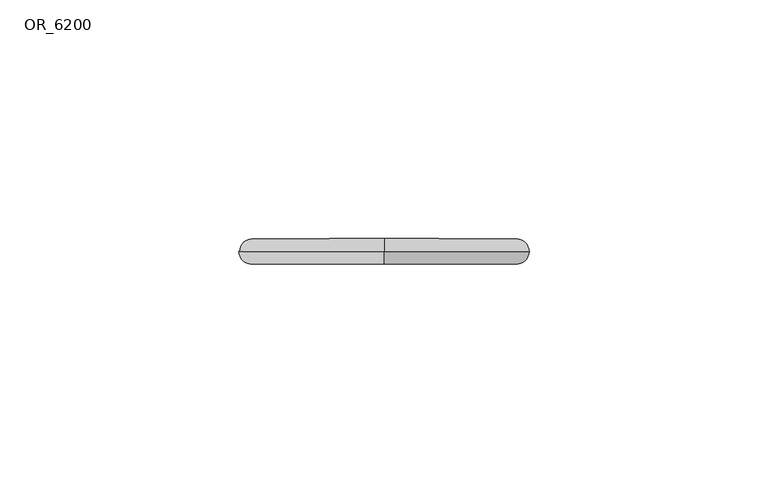
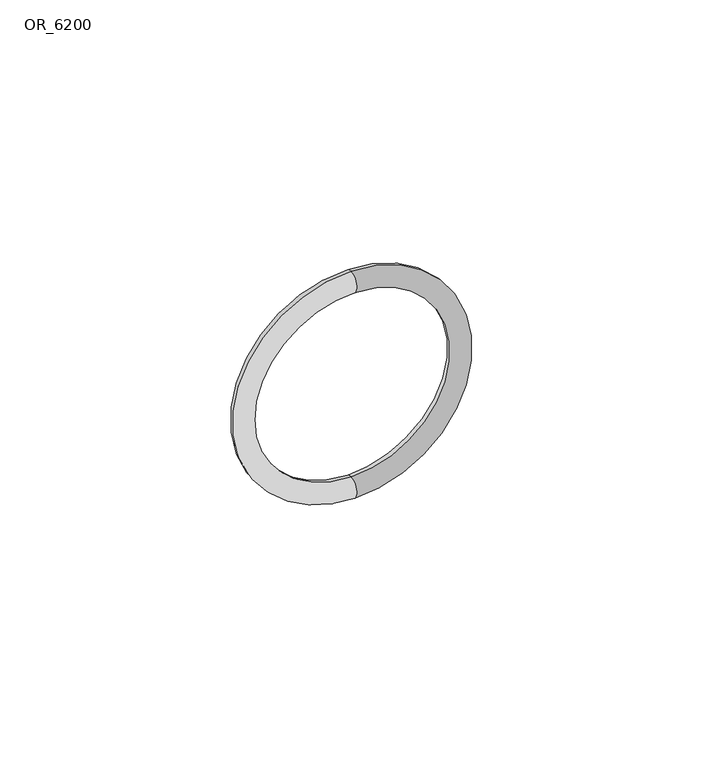
"""IFC4 building model written with IfcOpenShell, lengths in millimetres: proxy geometry, OR_6200."""

from ifc_helpers import new_model, si_unit, point, frame, origin, place, context, project, spatial, circle_curve, ellipse_curve, trimmed, source, transform, mapped, element, save
from ifc_brep_helpers import revolved_surface, advanced_brep


def or_6200_187fdb38(model_context):
    return source(origin(), model_context, "Body", "AdvancedBrep", [
        advanced_brep(
        [(0.0, 0.0, -30.42), (0.0, 0.0, 30.42), (0.0, 0.0, 25.08), (0.0, 0.0, -25.08)],
        [
            (0, 1, circle_curve(frame((0.0, 0.0, 0.0), z_axis=(0.0, 1.0, 0.0), x_axis=(0.0, 0.0, -1.0)), 30.42)),
            (1, 2, circle_curve(frame((0.0, 0.0, 27.75), z_axis=(-1.0, 0.0, 0.0), x_axis=(0.0, 0.0, 1.0)), 2.67)),
            (2, 3, circle_curve(frame((0.0, 0.0, 0.0), z_axis=(0.0, -1.0, 0.0), x_axis=(0.0, 0.0, -1.0)), 25.08)),
            (3, 0, circle_curve(frame((0.0, 0.0, -27.75), z_axis=(-1.0, 0.0, 0.0), x_axis=(0.0, 0.0, -1.0)), 2.67)),
            (1, 0, circle_curve(frame((0.0, 0.0, 0.0), z_axis=(0.0, 1.0, 0.0), x_axis=(0.0, 0.0, 1.0)), 30.42)),
            (3, 2, circle_curve(frame((0.0, 0.0, 0.0), z_axis=(0.0, -1.0, 0.0), x_axis=(0.0, 0.0, 1.0)), 25.08)),
            (1, 2, circle_curve(frame((0.0, 0.0, 27.75), z_axis=(1.0, 0.0, 0.0), x_axis=(0.0, 0.0, 1.0)), 2.67)),
            (3, 0, circle_curve(frame((0.0, 0.0, -27.75), z_axis=(1.0, 0.0, 0.0), x_axis=(0.0, 0.0, -1.0)), 2.67)),
        ],
        [
            revolved_surface(trimmed(ellipse_curve(frame((0.0, 0.0, -27.75), z_axis=(1.0, 0.0, 0.0), x_axis=(0.0, 0.0, -1.0)), 2.67, 2.67), [point((0.0, 0.0, -30.42))], [point((0.0, 0.0, -25.08))], True, "CARTESIAN"), (0.0, 0.0, 0.0), (0.0, 1.0, 0.0)),
            revolved_surface(trimmed(ellipse_curve(frame((0.0, 0.0, 27.75), z_axis=(-1.0, 0.0, 0.0), x_axis=(0.0, 0.0, 1.0)), 2.67, 2.67), [point((0.0, 0.0, 30.42))], [point((0.0, 0.0, 25.08))], True, "CARTESIAN"), (0.0, 0.0, 0.0), (0.0, 1.0, 0.0)),
            revolved_surface(trimmed(ellipse_curve(frame((0.0, 0.0, 27.75), z_axis=(-1.0, 0.0, 0.0), x_axis=(0.0, 0.0, 1.0)), 2.67, 2.67), [point((0.0, 0.0, 25.08))], [point((0.0, 0.0, 30.42))], True, "CARTESIAN"), (0.0, 0.0, 0.0), (0.0, 1.0, 0.0)),
            revolved_surface(trimmed(ellipse_curve(frame((0.0, 0.0, -27.75), z_axis=(1.0, 0.0, 0.0), x_axis=(0.0, 0.0, -1.0)), 2.67, 2.67), [point((0.0, 0.0, -25.08))], [point((0.0, 0.0, -30.42))], True, "CARTESIAN"), (0.0, 0.0, 0.0), (0.0, 1.0, 0.0)),
        ],
        [
            (0, [[1, 2, 3, 4]]),
            (1, [[5, -4, 6, -2]]),
            (2, [[-5, 7, -6, 8]]),
            (3, [[-1, -8, -3, -7]]),
        ],
    ),
    ])


if __name__ == "__main__":
    model = new_model("IFC4")
    model_context = context("Model", 3, world=origin())
    ifc_project = project(units=[si_unit("LENGTHUNIT", "METRE", prefix="MILLI")], contexts=[model_context])
    site = spatial("IfcSite", under=ifc_project)
    building = spatial("IfcBuilding", under=site)
    placement = place(None, origin())
    or_6200_shape = or_6200_187fdb38(model_context)
    element("IfcBuildingElementProxy", 1, Name="OR_6200", ObjectType="OR_6200", at=placement, inside=building, context=model_context, shape_type="MappedRepresentation", body=[
        mapped(or_6200_shape, transform((0.0, 0.0, 0.0), x_axis=(1.0, 0.0, 0.0), y_axis=(0.0, 1.0, 0.0), z_axis=(0.0, 0.0, 1.0))),
    ])
    save(model, "model.ifc")
